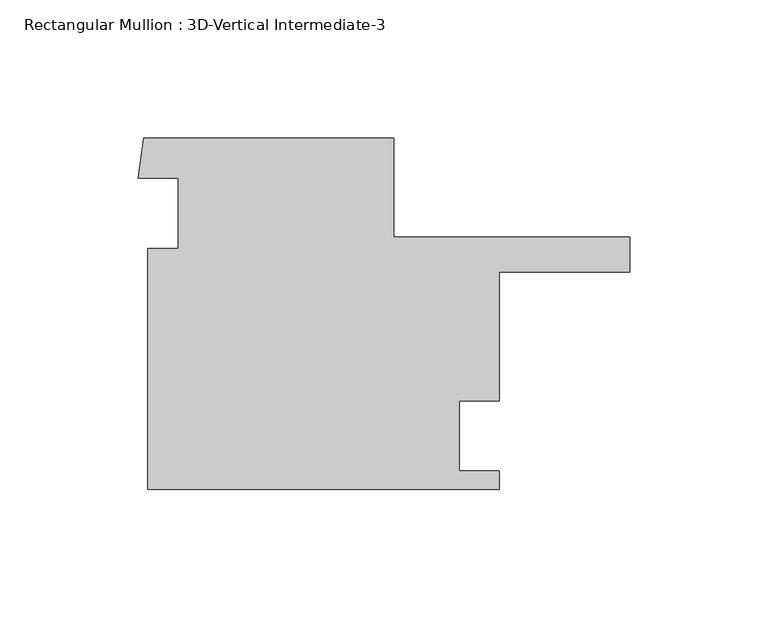
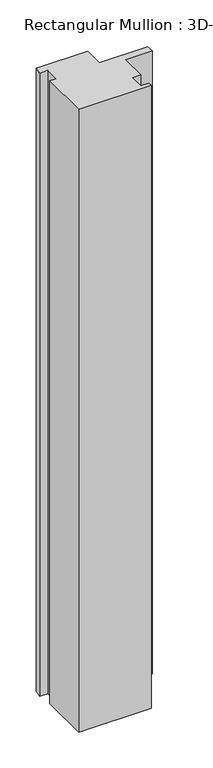
"""IFC4 building model written with IfcOpenShell, lengths in millimetres: member geometry, Rectangular Mullion : 3D-Vertical Intermediate-3."""

from ifc_helpers import new_model, si_unit, frame, origin, place, context, project, spatial, polyline, outline, extrude, source, transform, mapped, element, save


def rectangular_mullion_3d_vertical_intermediate_3_eaa25136(model_context):
    return source(origin(), model_context, "Body", "SweptSolid", [
        extrude(outline(polyline([(60.325, 53.975), (60.325, 18.2328995), (145.6608632, 18.2328995), (145.6608632, 5.5949286), (98.425, 5.5949286), (98.425, -41.0463644), (84.137512, -41.0463644), (84.137512, -66.4463644), (98.425, -66.4463644), (98.425, -73.025), (-28.575, -73.025), (-28.575, 14.071475), (-17.4625, 14.071475), (-17.4625, 39.4752066), (-31.9704711, 39.4752066), (-29.9153823, 53.975), (60.325, 53.975)])), frame((0.0, 0.0, -1155.71242), z_axis=(0.0, 0.0, 1.0), x_axis=(1.0, 0.0, 0.0)), (0.0, 0.0, 1.0), 1155.71242),
    ])


if __name__ == "__main__":
    model = new_model("IFC4")
    model_context = context("Model", 3, world=origin())
    ifc_project = project(units=[si_unit("LENGTHUNIT", "METRE", prefix="MILLI")], contexts=[model_context])
    site = spatial("IfcSite", under=ifc_project)
    building = spatial("IfcBuilding", under=site)
    placement = place(None, origin())
    rectangular_mullion_3d_vertical_intermediate_3_shape = rectangular_mullion_3d_vertical_intermediate_3_eaa25136(model_context)
    element("IfcMember", 1, ObjectType="Rectangular Mullion : 3D-Vertical Intermediate-3", at=placement, inside=building, context=model_context, shape_type="MappedRepresentation", body=[
        mapped(rectangular_mullion_3d_vertical_intermediate_3_shape, transform((0.0, 0.0, 0.0), x_axis=(1.0, 0.0, 0.0), y_axis=(0.0, 1.0, 0.0), z_axis=(0.0, 0.0, 1.0))),
    ])
    save(model, "model.ifc")
